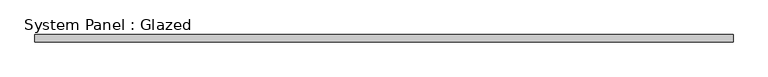
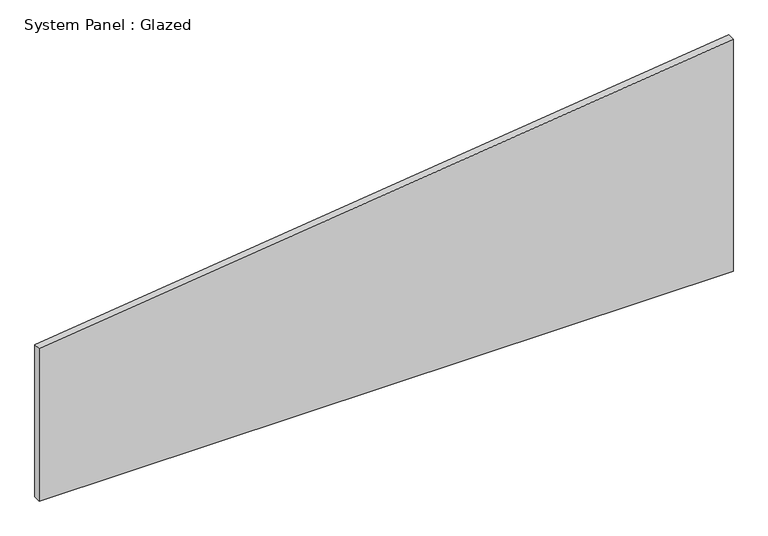
"""IFC4 building model written with IfcOpenShell, lengths in millimetres: plate geometry, System Panel : Glazed."""

import ifcopenshell
import ifcopenshell.guid

model = None  # the IFC model being written
_history = None  # IfcOwnerHistory: only IFC2X3 demands one
_inside = {}  # id of a spatial element -> (the spatial element, [elements in it])
_under = {}  # id of a project, library or spatial element -> (it, [spatial elements below it])
_declared = {}  # id of a project -> (the project, [libraries it declares])
_typed = {}  # id of a type object -> (the type object, [elements of that type])
_made_of = {}  # id of a material, layer set ... -> (it, [elements and type objects made of it])


def new_model(schema):
    """Start an empty IFC model of exactly this schema.

    Asked for "IFC4X3", IfcOpenShell would pick the latest addendum, in which some entities
    have other attributes; the version numbers below select the first issue.
    IFC2X3 requires an IfcOwnerHistory on every rooted entity: one is made here for all.
    """
    global model, _history
    if schema == "IFC4X3":
        model = ifcopenshell.file(schema_version=(4, 3, 0, 0))
    else:
        model = ifcopenshell.file(schema=schema)
    _inside.clear()
    _under.clear()
    _declared.clear()
    _typed.clear()
    _made_of.clear()
    _history = None
    if model.schema == "IFC2X3":
        org = make("IfcOrganization", Name="unknown")
        user = make(
            "IfcPersonAndOrganization",
            ThePerson=make("IfcPerson", FamilyName="unknown"),
            TheOrganization=org,
        )
        app = make(
            "IfcApplication",
            ApplicationDeveloper=org,
            Version="unknown",
            ApplicationFullName="unknown",
            ApplicationIdentifier="unknown",
        )
        _history = make(
            "IfcOwnerHistory",
            OwningUser=user,
            OwningApplication=app,
            ChangeAction="ADDED",
            CreationDate=0,
        )
    return model


def make(cls, **values):
    """One entity of the class cls with the attributes given. An attribute that is None is left unset."""
    return model.create_entity(
        cls, **{name: value for name, value in values.items() if value is not None}
    )


def rooted(cls, **values):
    """An entity with a GlobalId (a new one), such as an element, a storey or a relation."""
    return make(cls, GlobalId=ifcopenshell.guid.new(), OwnerHistory=_history, **values)


def si_unit(unit_type, name, prefix=None):
    """IfcSIUnit, for example si_unit("LENGTHUNIT", "METRE", prefix="MILLI")."""
    return make("IfcSIUnit", UnitType=unit_type, Prefix=prefix, Name=name)


def assignment(units):
    """IfcUnitAssignment: the units of a project."""
    return None if units is None else make("IfcUnitAssignment", Units=units)


def point(xyz):
    """IfcCartesianPoint."""
    return None if xyz is None else make("IfcCartesianPoint", Coordinates=xyz)


def direction(xyz):
    """IfcDirection."""
    return None if xyz is None else make("IfcDirection", DirectionRatios=xyz)


def frame(location, z_axis=None, x_axis=None):
    """IfcAxis2Placement3D, a coordinate frame: its origin and axes. An axis left out is left unset."""
    return make(
        "IfcAxis2Placement3D",
        Location=point(location),
        Axis=direction(z_axis),
        RefDirection=direction(x_axis),
    )


def origin():
    """The frame at (0, 0, 0) with its axes left unset."""
    return frame((0.0, 0.0, 0.0))


def place(relative_to, where):
    """IfcLocalPlacement: puts the frame where relative to a parent placement (None: the world)."""
    return make(
        "IfcLocalPlacement", PlacementRelTo=relative_to, RelativePlacement=where
    )


def context(
    kind, dimensions, precision=None, world=None, true_north=None, identifier=None
):
    """IfcGeometricRepresentationContext, for example the 3D "Model" context."""
    return make(
        "IfcGeometricRepresentationContext",
        ContextIdentifier=identifier,
        ContextType=kind,
        CoordinateSpaceDimension=dimensions,
        Precision=precision,
        WorldCoordinateSystem=world,
        TrueNorth=true_north,
    )


def project(units=None, contexts=None):
    """IfcProject with its units and contexts."""
    return rooted(
        "IfcProject",
        Name="project",
        RepresentationContexts=contexts,
        UnitsInContext=assignment(units),
    )


def spatial(cls, under=None, at=None, **own):
    """A site, building, storey or space (cls), placed at a placement, below another one or the project."""
    s = rooted(cls, ObjectPlacement=at, **own)
    if under is not None:
        _under.setdefault(under.id(), (under, []))[1].append(s)
    return s


def polyline(points):
    """IfcPolyline through the points."""
    return make("IfcPolyline", Points=[point(p) for p in points])


def outline(outer, holes=None, kind="AREA"):
    """IfcArbitraryClosedProfileDef: a profile drawn as a closed curve; with holes, ...WithVoids."""
    if holes is None:
        return make("IfcArbitraryClosedProfileDef", ProfileType=kind, OuterCurve=outer)
    return make(
        "IfcArbitraryProfileDefWithVoids",
        ProfileType=kind,
        OuterCurve=outer,
        InnerCurves=holes,
    )


def extrude(swept, where, along, depth):
    """IfcExtrudedAreaSolid: the profile swept, set in the frame where, extruded along a direction by depth."""
    return make(
        "IfcExtrudedAreaSolid",
        SweptArea=swept,
        Position=where,
        ExtrudedDirection=direction(along),
        Depth=depth,
    )


def shape(context_of_items, identifier, shape_type, items):
    """IfcShapeRepresentation: the items that make up one representation, for example the "Body"."""
    return make(
        "IfcShapeRepresentation",
        ContextOfItems=context_of_items,
        RepresentationIdentifier=identifier,
        RepresentationType=shape_type,
        Items=items,
    )


def source(mapping_origin, context_of_items, identifier, shape_type, items):
    """IfcRepresentationMap: a shape defined once, which mapped items show again and again."""
    return make(
        "IfcRepresentationMap",
        MappingOrigin=mapping_origin,
        MappedRepresentation=shape(context_of_items, identifier, shape_type, items),
    )


def transform(
    local_origin,
    x_axis=None,
    y_axis=None,
    z_axis=None,
    scale=None,
    scale2=None,
    scale3=None,
    uniform=True,
):
    """IfcCartesianTransformationOperator3D, or its non-uniform kind. x_axis, y_axis, z_axis: its Axis1, 2, 3."""
    if uniform:
        return make(
            "IfcCartesianTransformationOperator3D",
            Axis1=direction(x_axis),
            Axis2=direction(y_axis),
            LocalOrigin=point(local_origin),
            Scale=scale,
            Axis3=direction(z_axis),
        )
    return make(
        "IfcCartesianTransformationOperator3DnonUniform",
        Axis1=direction(x_axis),
        Axis2=direction(y_axis),
        LocalOrigin=point(local_origin),
        Scale=scale,
        Axis3=direction(z_axis),
        Scale2=scale2,
        Scale3=scale3,
    )


def mapped(mapping_source, mapping_target):
    """IfcMappedItem: shows the shape of a source again, moved by a transform."""
    return make(
        "IfcMappedItem", MappingSource=mapping_source, MappingTarget=mapping_target
    )


def made_of(thing, what):
    """Note that an element or type object is made of a material, layer set ...; save() writes the relation."""
    if what is not None:
        _made_of.setdefault(what.id(), (what, []))[1].append(thing)
    return thing


def element(
    cls,
    number,
    at=None,
    inside=None,
    cuts=None,
    type_object=None,
    material=None,
    context=None,
    identifier="Body",
    shape_type=None,
    held_by="IfcProductDefinitionShape",
    body=None,
    shapes=None,
    **own,
):
    """One element of the class cls, such as IfcWall. Its Tag is "e" and its number.

    at: its placement. inside: the storey or other place that contains it. cuts: it is an
    opening in that element (IfcRelVoidsElement). A single representation is given by context,
    identifier, shape_type and body (its items); several are given by shapes. held_by: the class
    of the entity that holds the representations. save() writes the other relations.
    """
    e = rooted(cls, Tag="e%d" % number, ObjectPlacement=at, **own)
    if body is not None:
        shapes = [shape(context, identifier, shape_type, body)]
    if shapes is not None:
        e.Representation = make(held_by, Representations=shapes)
    if inside is not None:
        _inside.setdefault(inside.id(), (inside, []))[1].append(e)
    if cuts is not None:
        rooted(
            "IfcRelVoidsElement", RelatingBuildingElement=cuts, RelatedOpeningElement=e
        )
    if type_object is not None:
        _typed.setdefault(type_object.id(), (type_object, []))[1].append(e)
    return made_of(e, material)


def aggregate(whole, parts):
    """IfcRelAggregates: a whole, such as a stair, and the parts it consists of."""
    return rooted("IfcRelAggregates", RelatingObject=whole, RelatedObjects=parts)


def save(model, path):
    """Write the relations noted so far, then the file.

    IfcRelAggregates (storeys below a building ...), IfcRelContainedInSpatialStructure (elements
    in a storey), IfcRelDefinesByType, IfcRelAssociatesMaterial and IfcRelDeclares: one each for
    every whole, place, type object, material and project.
    """
    for whole, parts in _under.values():
        aggregate(whole, parts)
    for where, things in _inside.values():
        rooted(
            "IfcRelContainedInSpatialStructure",
            RelatedElements=things,
            RelatingStructure=where,
        )
    for kind, things in _typed.values():
        rooted("IfcRelDefinesByType", RelatedObjects=things, RelatingType=kind)
    for what, things in _made_of.values():
        rooted("IfcRelAssociatesMaterial", RelatedObjects=things, RelatingMaterial=what)
    for by, libraries in _declared.values():
        rooted("IfcRelDeclares", RelatingContext=by, RelatedDefinitions=libraries)
    model.write(path)


def system_panel_glazed_0265d0be(model_context):
    return source(origin(), model_context, "Body", "SweptSolid", [
        extrude(outline(polyline([(0.0, -1171.7121958), (0.0, 1171.7121958), (828.7413497, 1171.7121958), (543.2619997, -1171.7121958), (0.0, -1171.7121958)])), frame((0.0, -49.5, 0.0), z_axis=(0.0, 1.0, 0.0), x_axis=(0.0, 0.0, 1.0)), (0.0, 0.0, 1.0), 25.0),
    ])


if __name__ == "__main__":
    model = new_model("IFC4")
    model_context = context("Model", 3, world=origin())
    ifc_project = project(units=[si_unit("LENGTHUNIT", "METRE", prefix="MILLI")], contexts=[model_context])
    site = spatial("IfcSite", under=ifc_project)
    building = spatial("IfcBuilding", under=site)
    placement = place(None, origin())
    system_panel_glazed_shape = system_panel_glazed_0265d0be(model_context)
    element("IfcPlate", 1, ObjectType="System Panel : Glazed", at=placement, inside=building, context=model_context, shape_type="MappedRepresentation", body=[
        mapped(system_panel_glazed_shape, transform((0.0, 0.0, 0.0), x_axis=(1.0, 0.0, 0.0), y_axis=(0.0, 1.0, 0.0), z_axis=(0.0, 0.0, 1.0))),
    ])
    save(model, "model.ifc")
